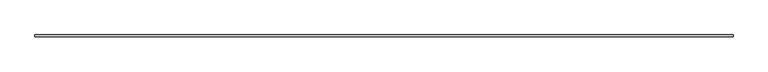
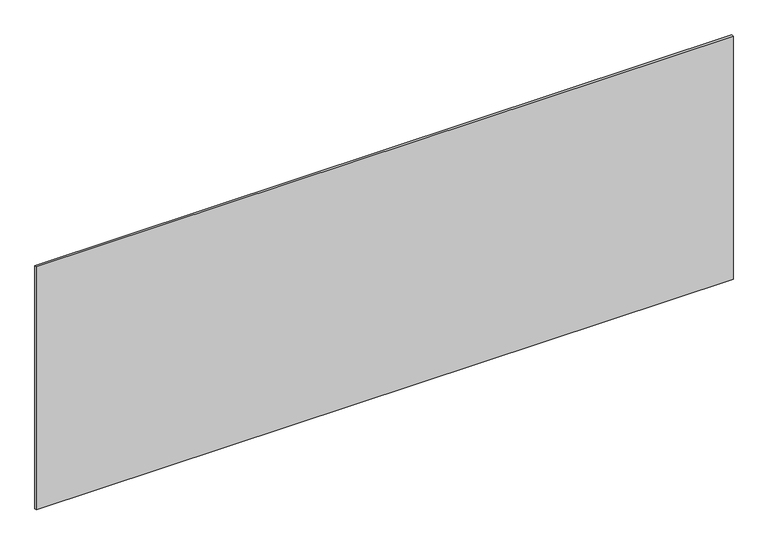
"""IFC4 building model written with IfcOpenShell, lengths in millimetres: plate geometry."""

from ifc_helpers import new_model, si_unit, origin, origin_with_axes, place, context, project, spatial, polyline, outline, extrude, source, transform, mapped, element, save


def plate_807925d1(model_context):
    return source(origin(), model_context, "Body", "SweptSolid", [
        extrude(outline(polyline([(1715.0, -5.0), (-1715.0, -5.0), (-1715.0, 5.0), (1715.0, 5.0), (1715.0, -5.0)])), origin_with_axes(), (0.0, 0.0, 1.0), 1264.3262548),
    ])


if __name__ == "__main__":
    model = new_model("IFC4")
    model_context = context("Model", 3, world=origin())
    ifc_project = project(units=[si_unit("LENGTHUNIT", "METRE", prefix="MILLI")], contexts=[model_context])
    site = spatial("IfcSite", under=ifc_project)
    building = spatial("IfcBuilding", under=site)
    placement = place(None, origin())
    plate_shape = plate_807925d1(model_context)
    element("IfcPlate", 1, at=placement, inside=building, context=model_context, shape_type="MappedRepresentation", body=[
        mapped(plate_shape, transform((0.0, 0.0, 0.0), x_axis=(1.0, 0.0, 0.0), y_axis=(0.0, 1.0, 0.0), z_axis=(0.0, 0.0, 1.0))),
    ])
    save(model, "model.ifc")
